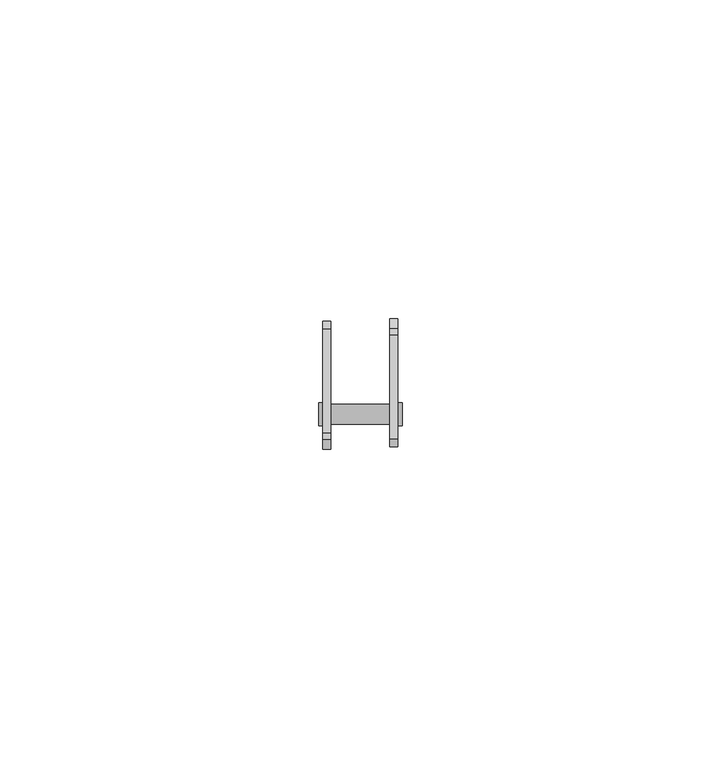
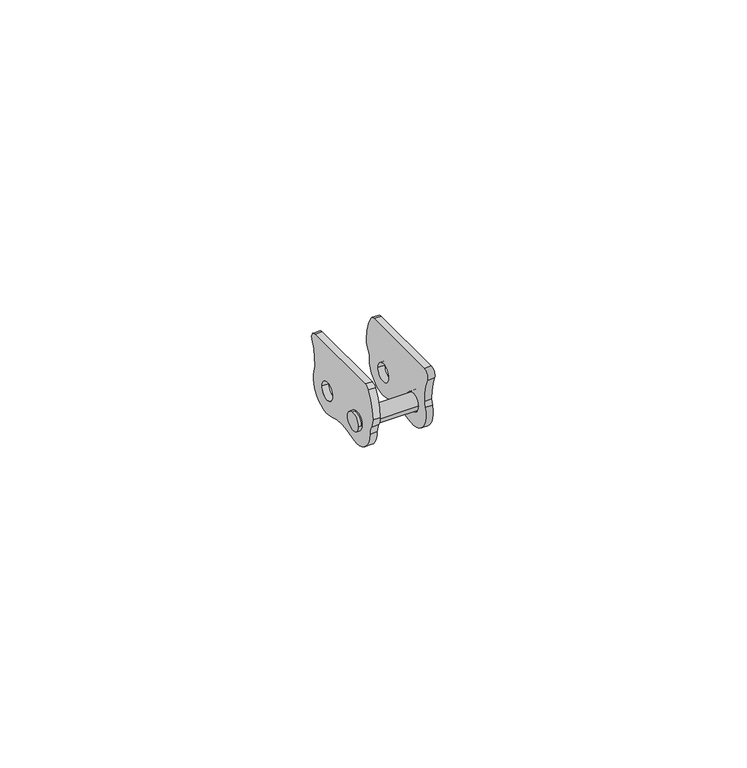
"""IFC4 building model written with IfcOpenShell, lengths in millimetres: proxy geometry."""

import ifcopenshell
import ifcopenshell.guid

model = None  # the IFC model being written
_history = None  # IfcOwnerHistory: only IFC2X3 demands one
_inside = {}  # id of a spatial element -> (the spatial element, [elements in it])
_under = {}  # id of a project, library or spatial element -> (it, [spatial elements below it])
_declared = {}  # id of a project -> (the project, [libraries it declares])
_typed = {}  # id of a type object -> (the type object, [elements of that type])
_made_of = {}  # id of a material, layer set ... -> (it, [elements and type objects made of it])


def new_model(schema):
    """Start an empty IFC model of exactly this schema.

    Asked for "IFC4X3", IfcOpenShell would pick the latest addendum, in which some entities
    have other attributes; the version numbers below select the first issue.
    IFC2X3 requires an IfcOwnerHistory on every rooted entity: one is made here for all.
    """
    global model, _history
    if schema == "IFC4X3":
        model = ifcopenshell.file(schema_version=(4, 3, 0, 0))
    else:
        model = ifcopenshell.file(schema=schema)
    _inside.clear()
    _under.clear()
    _declared.clear()
    _typed.clear()
    _made_of.clear()
    _history = None
    if model.schema == "IFC2X3":
        org = make("IfcOrganization", Name="unknown")
        user = make(
            "IfcPersonAndOrganization",
            ThePerson=make("IfcPerson", FamilyName="unknown"),
            TheOrganization=org,
        )
        app = make(
            "IfcApplication",
            ApplicationDeveloper=org,
            Version="unknown",
            ApplicationFullName="unknown",
            ApplicationIdentifier="unknown",
        )
        _history = make(
            "IfcOwnerHistory",
            OwningUser=user,
            OwningApplication=app,
            ChangeAction="ADDED",
            CreationDate=0,
        )
    return model


def make(cls, **values):
    """One entity of the class cls with the attributes given. An attribute that is None is left unset."""
    return model.create_entity(
        cls, **{name: value for name, value in values.items() if value is not None}
    )


def rooted(cls, **values):
    """An entity with a GlobalId (a new one), such as an element, a storey or a relation."""
    return make(cls, GlobalId=ifcopenshell.guid.new(), OwnerHistory=_history, **values)


def si_unit(unit_type, name, prefix=None):
    """IfcSIUnit, for example si_unit("LENGTHUNIT", "METRE", prefix="MILLI")."""
    return make("IfcSIUnit", UnitType=unit_type, Prefix=prefix, Name=name)


def assignment(units):
    """IfcUnitAssignment: the units of a project."""
    return None if units is None else make("IfcUnitAssignment", Units=units)


def point(xyz):
    """IfcCartesianPoint."""
    return None if xyz is None else make("IfcCartesianPoint", Coordinates=xyz)


def direction(xyz):
    """IfcDirection."""
    return None if xyz is None else make("IfcDirection", DirectionRatios=xyz)


def frame(location, z_axis=None, x_axis=None):
    """IfcAxis2Placement3D, a coordinate frame: its origin and axes. An axis left out is left unset."""
    return make(
        "IfcAxis2Placement3D",
        Location=point(location),
        Axis=direction(z_axis),
        RefDirection=direction(x_axis),
    )


def frame_2d(location, x_axis=None):
    """IfcAxis2Placement2D, a coordinate frame in the plane: its origin and x axis."""
    return make(
        "IfcAxis2Placement2D", Location=point(location), RefDirection=direction(x_axis)
    )


def origin():
    """The frame at (0, 0, 0) with its axes left unset."""
    return frame((0.0, 0.0, 0.0))


def origin_2d():
    """The frame at (0, 0) in the plane with its x axis left unset."""
    return frame_2d((0.0, 0.0))


def place(relative_to, where):
    """IfcLocalPlacement: puts the frame where relative to a parent placement (None: the world)."""
    return make(
        "IfcLocalPlacement", PlacementRelTo=relative_to, RelativePlacement=where
    )


def context(
    kind, dimensions, precision=None, world=None, true_north=None, identifier=None
):
    """IfcGeometricRepresentationContext, for example the 3D "Model" context."""
    return make(
        "IfcGeometricRepresentationContext",
        ContextIdentifier=identifier,
        ContextType=kind,
        CoordinateSpaceDimension=dimensions,
        Precision=precision,
        WorldCoordinateSystem=world,
        TrueNorth=true_north,
    )


def project(units=None, contexts=None):
    """IfcProject with its units and contexts."""
    return rooted(
        "IfcProject",
        Name="project",
        RepresentationContexts=contexts,
        UnitsInContext=assignment(units),
    )


def spatial(cls, under=None, at=None, **own):
    """A site, building, storey or space (cls), placed at a placement, below another one or the project."""
    s = rooted(cls, ObjectPlacement=at, **own)
    if under is not None:
        _under.setdefault(under.id(), (under, []))[1].append(s)
    return s


def polyline(points):
    """IfcPolyline through the points."""
    return make("IfcPolyline", Points=[point(p) for p in points])


def circle_curve(where, radius):
    """IfcCircle in the frame where."""
    return make("IfcCircle", Position=where, Radius=radius)


def trimmed(basis, trim1, trim2, sense, master):
    """IfcTrimmedCurve: the piece of a basis curve between two trims."""
    return make(
        "IfcTrimmedCurve",
        BasisCurve=basis,
        Trim1=trim1,
        Trim2=trim2,
        SenseAgreement=sense,
        MasterRepresentation=master,
    )


def segment(curve, same_sense, transition):
    """IfcCompositeCurveSegment."""
    return make(
        "IfcCompositeCurveSegment",
        Transition=transition,
        SameSense=same_sense,
        ParentCurve=curve,
    )


def composite_curve(segments, self_intersect=None):
    """IfcCompositeCurve: segments joined end to end."""
    return make("IfcCompositeCurve", Segments=segments, SelfIntersect=self_intersect)


def outline(outer, holes=None, kind="AREA"):
    """IfcArbitraryClosedProfileDef: a profile drawn as a closed curve; with holes, ...WithVoids."""
    if holes is None:
        return make("IfcArbitraryClosedProfileDef", ProfileType=kind, OuterCurve=outer)
    return make(
        "IfcArbitraryProfileDefWithVoids",
        ProfileType=kind,
        OuterCurve=outer,
        InnerCurves=holes,
    )


def extrude(swept, where, along, depth):
    """IfcExtrudedAreaSolid: the profile swept, set in the frame where, extruded along a direction by depth."""
    return make(
        "IfcExtrudedAreaSolid",
        SweptArea=swept,
        Position=where,
        ExtrudedDirection=direction(along),
        Depth=depth,
    )


def shape(context_of_items, identifier, shape_type, items):
    """IfcShapeRepresentation: the items that make up one representation, for example the "Body"."""
    return make(
        "IfcShapeRepresentation",
        ContextOfItems=context_of_items,
        RepresentationIdentifier=identifier,
        RepresentationType=shape_type,
        Items=items,
    )


def source(mapping_origin, context_of_items, identifier, shape_type, items):
    """IfcRepresentationMap: a shape defined once, which mapped items show again and again."""
    return make(
        "IfcRepresentationMap",
        MappingOrigin=mapping_origin,
        MappedRepresentation=shape(context_of_items, identifier, shape_type, items),
    )


def transform(
    local_origin,
    x_axis=None,
    y_axis=None,
    z_axis=None,
    scale=None,
    scale2=None,
    scale3=None,
    uniform=True,
):
    """IfcCartesianTransformationOperator3D, or its non-uniform kind. x_axis, y_axis, z_axis: its Axis1, 2, 3."""
    if uniform:
        return make(
            "IfcCartesianTransformationOperator3D",
            Axis1=direction(x_axis),
            Axis2=direction(y_axis),
            LocalOrigin=point(local_origin),
            Scale=scale,
            Axis3=direction(z_axis),
        )
    return make(
        "IfcCartesianTransformationOperator3DnonUniform",
        Axis1=direction(x_axis),
        Axis2=direction(y_axis),
        LocalOrigin=point(local_origin),
        Scale=scale,
        Axis3=direction(z_axis),
        Scale2=scale2,
        Scale3=scale3,
    )


def mapped(mapping_source, mapping_target):
    """IfcMappedItem: shows the shape of a source again, moved by a transform."""
    return make(
        "IfcMappedItem", MappingSource=mapping_source, MappingTarget=mapping_target
    )


def made_of(thing, what):
    """Note that an element or type object is made of a material, layer set ...; save() writes the relation."""
    if what is not None:
        _made_of.setdefault(what.id(), (what, []))[1].append(thing)
    return thing


def element(
    cls,
    number,
    at=None,
    inside=None,
    cuts=None,
    type_object=None,
    material=None,
    context=None,
    identifier="Body",
    shape_type=None,
    held_by="IfcProductDefinitionShape",
    body=None,
    shapes=None,
    **own,
):
    """One element of the class cls, such as IfcWall. Its Tag is "e" and its number.

    at: its placement. inside: the storey or other place that contains it. cuts: it is an
    opening in that element (IfcRelVoidsElement). A single representation is given by context,
    identifier, shape_type and body (its items); several are given by shapes. held_by: the class
    of the entity that holds the representations. save() writes the other relations.
    """
    e = rooted(cls, Tag="e%d" % number, ObjectPlacement=at, **own)
    if body is not None:
        shapes = [shape(context, identifier, shape_type, body)]
    if shapes is not None:
        e.Representation = make(held_by, Representations=shapes)
    if inside is not None:
        _inside.setdefault(inside.id(), (inside, []))[1].append(e)
    if cuts is not None:
        rooted(
            "IfcRelVoidsElement", RelatingBuildingElement=cuts, RelatedOpeningElement=e
        )
    if type_object is not None:
        _typed.setdefault(type_object.id(), (type_object, []))[1].append(e)
    return made_of(e, material)


def aggregate(whole, parts):
    """IfcRelAggregates: a whole, such as a stair, and the parts it consists of."""
    return rooted("IfcRelAggregates", RelatingObject=whole, RelatedObjects=parts)


def save(model, path):
    """Write the relations noted so far, then the file.

    IfcRelAggregates (storeys below a building ...), IfcRelContainedInSpatialStructure (elements
    in a storey), IfcRelDefinesByType, IfcRelAssociatesMaterial and IfcRelDeclares: one each for
    every whole, place, type object, material and project.
    """
    for whole, parts in _under.values():
        aggregate(whole, parts)
    for where, things in _inside.values():
        rooted(
            "IfcRelContainedInSpatialStructure",
            RelatedElements=things,
            RelatingStructure=where,
        )
    for kind, things in _typed.values():
        rooted("IfcRelDefinesByType", RelatedObjects=things, RelatingType=kind)
    for what, things in _made_of.values():
        rooted("IfcRelAssociatesMaterial", RelatedObjects=things, RelatingMaterial=what)
    for by, libraries in _declared.values():
        rooted("IfcRelDeclares", RelatingContext=by, RelatedDefinitions=libraries)
    model.write(path)


def plane_surface(at):
    """IfcPlane: the flat surface through the origin of the frame at, square to its z axis."""
    return make("IfcPlane", Position=at)


def cylinder_surface(at, radius):
    """IfcCylindricalSurface: all points at the distance radius from the z axis of the frame at."""
    return make("IfcCylindricalSurface", Position=at, Radius=radius)


def advanced_brep(points, edges, surfaces, faces):
    """IfcAdvancedBrep: a solid bounded by faces that lie on surfaces and meet in shared edges.

    An edge is (start, end): straight between two places in points (the first is 0);
    or (start, end, curve); or (start, end, curve, False) where it runs against its curve.
    A face is (place in surfaces, loops), or (place, loops, False) where it looks against
    its surface's normal. A loop lists edges by number (the first is 1), with a minus sign
    where the edge is run from its end to its start. The first loop is the outer one.
    """
    corners = [point(p) for p in points]
    vertices = [make("IfcVertexPoint", VertexGeometry=c) for c in corners]
    made = []
    for start, end, *more in edges:
        made.append(
            make(
                "IfcEdgeCurve",
                EdgeStart=vertices[start],
                EdgeEnd=vertices[end],
                EdgeGeometry=more[0] if more else make("IfcPolyline", Points=[corners[start], corners[end]]),
                SameSense=more[1] if len(more) > 1 else True,
            )
        )
    hull = []
    for where, loops, *sense in faces:
        bounds = []
        for j, loop in enumerate(loops):
            ring = [make("IfcOrientedEdge", EdgeElement=made[abs(k) - 1], Orientation=k > 0) for k in loop]
            bounds.append(
                make(
                    "IfcFaceOuterBound" if j == 0 else "IfcFaceBound",
                    Bound=make("IfcEdgeLoop", EdgeList=ring),
                    Orientation=True,
                )
            )
        hull.append(make("IfcAdvancedFace", Bounds=bounds, FaceSurface=surfaces[where], SameSense=sense[0] if sense else True))
    return make("IfcAdvancedBrep", Outer=make("IfcClosedShell", CfsFaces=hull))


def generic_models_df719b19(model_context):
    return source(origin(), model_context, "Body", "SolidModel", [
        advanced_brep(
        [(-5.905, -11.315, 0.0), (-6.545, -11.315, 0.0), (-6.545, -7.735, 0.0), (-5.905, -7.735, 0.0), (5.905, -11.115, 0.0), (-5.905, -11.115, 0.0), (-5.905, -7.935, 0.0), (5.905, -7.935, 0.0), (6.545, -11.315, 0.0), (5.905, -11.315, 0.0), (5.905, -7.735, 0.0), (6.545, -7.735, 0.0)],
        [
            (0, 1),
            (1, 2, circle_curve(frame((-6.545, -9.525, 0.0), z_axis=(1.0, 0.0, 0.0), x_axis=(0.0, -1.0, 0.0)), 1.79)),
            (2, 3),
            (3, 0, circle_curve(frame((-5.905, -9.525, 0.0), z_axis=(-1.0, 0.0, 0.0), x_axis=(0.0, -1.0, 0.0)), 1.79)),
            (4, 5),
            (5, 6, circle_curve(frame((-5.905, -9.525, 0.0), z_axis=(1.0, 0.0, 0.0), x_axis=(0.0, -1.0, 0.0)), 1.59)),
            (6, 7),
            (7, 4, circle_curve(frame((5.905, -9.525, 0.0), z_axis=(-1.0, 0.0, 0.0), x_axis=(0.0, -1.0, 0.0)), 1.59)),
            (8, 9),
            (9, 10, circle_curve(frame((5.905, -9.525, 0.0), z_axis=(1.0, 0.0, 0.0), x_axis=(0.0, -1.0, 0.0)), 1.79)),
            (10, 11),
            (11, 8, circle_curve(frame((6.545, -9.525, 0.0), z_axis=(-1.0, 0.0, 0.0), x_axis=(0.0, -1.0, 0.0)), 1.79)),
            (11, 8, circle_curve(frame((6.545, -9.525, 0.0), z_axis=(1.0, 0.0, 0.0), x_axis=(0.0, -1.0, 0.0)), 1.79)),
            (10, 9, circle_curve(frame((5.905, -9.525, 0.0), z_axis=(1.0, 0.0, 0.0), x_axis=(0.0, -1.0, 0.0)), 1.79)),
            (7, 4, circle_curve(frame((5.905, -9.525, 0.0), z_axis=(1.0, 0.0, 0.0), x_axis=(0.0, -1.0, 0.0)), 1.59)),
            (6, 5, circle_curve(frame((-5.905, -9.525, 0.0), z_axis=(1.0, 0.0, 0.0), x_axis=(0.0, -1.0, 0.0)), 1.59)),
            (3, 0, circle_curve(frame((-5.905, -9.525, 0.0), z_axis=(1.0, 0.0, 0.0), x_axis=(0.0, -1.0, 0.0)), 1.79)),
            (2, 1, circle_curve(frame((-6.545, -9.525, 0.0), z_axis=(1.0, 0.0, 0.0), x_axis=(0.0, -1.0, 0.0)), 1.79)),
        ],
        [
            cylinder_surface(frame((-6.225, -9.525, 0.0), z_axis=(-1.0, 0.0, 0.0), x_axis=(0.0, -1.0, 0.0)), 1.79),
            cylinder_surface(frame((0.0, -9.525, 0.0), z_axis=(-1.0, 0.0, 0.0), x_axis=(0.0, -1.0, 0.0)), 1.59),
            cylinder_surface(frame((6.225, -9.525, 0.0), z_axis=(-1.0, 0.0, 0.0), x_axis=(0.0, -1.0, 0.0)), 1.79),
            plane_surface(frame((6.545, -10.42, 0.0), z_axis=(1.0, 0.0, 0.0), x_axis=(0.0, 0.0, 1.0))),
            plane_surface(frame((5.905, -11.215, 0.0), z_axis=(-1.0, 0.0, 0.0), x_axis=(0.0, 0.0, -1.0))),
            plane_surface(frame((-5.905, -11.215, 0.0), z_axis=(1.0, 0.0, 0.0), x_axis=(0.0, 0.0, 1.0))),
            plane_surface(frame((-6.545, -10.42, 0.0), z_axis=(-1.0, 0.0, 0.0), x_axis=(0.0, 0.0, -1.0))),
        ],
        [
            (0, [[1, 2, 3, 4]]),
            (1, [[5, 6, 7, 8]]),
            (2, [[9, 10, 11, 12]]),
            (3, [[13, -12]]),
            (2, [[-9, -13, -11, 14]]),
            (4, [[-14, -10], [15, -8]]),
            (1, [[-5, -15, -7, 16]]),
            (5, [[17, -4], [-16, -6]]),
            (0, [[-1, -17, -3, 18]]),
            (6, [[-18, -2]]),
        ],
    ),
        extrude(outline(composite_curve([segment(trimmed(circle_curve(origin_2d(), 4.5), [point((4.2531196, 1.470025))], [point((-1.4780172, -4.2503488))], False, "CARTESIAN"), True, "CONTINUOUS"), segment(trimmed(circle_curve(frame_2d((-4.7625, -13.6955684)), 10.0), [point((-1.4780172, -4.2503488))], [point((-8.0469828, -4.2503488))], True, "CARTESIAN"), True, "CONTINUOUS"), segment(trimmed(circle_curve(frame_2d((-9.525, 0.0)), 4.5), [point((-8.0469828, -4.2503488))], [point((-14.025, 0.0))], False, "CARTESIAN"), True, "CONTINUOUS"), segment(trimmed(circle_curve(frame_2d((-17.0251981, 0.0)), 3.0001981), [point((-14.025, 0.0))], [point((-14.5233959, 1.6559512))], True, "CARTESIAN"), True, "CONTINUOUS"), segment(trimmed(circle_curve(frame_2d((-12.0215938, 3.3119025)), 3.0001981), [point((-14.5233959, 1.6559512))], [point((-15.0204168, 3.4027264))], False, "CARTESIAN"), True, "CONTINUOUS"), segment(trimmed(circle_curve(frame_2d((-5.025, 3.1)), 10.0), [point((-15.0204168, 3.4027264))], [point((-13.4792705, 8.4409091))], False, "CARTESIAN"), True, "CONTINUOUS"), segment(trimmed(circle_curve(frame_2d((-12.4647581, 7.8)), 1.2), [point((-13.4792705, 8.4409091))], [point((-12.4647581, 9.0))], False, "CARTESIAN"), True, "CONTINUOUS"), segment(polyline([(-12.4647581, 9.0), (3.8588798, 9.0)]), True, "CONTINUOUS"), segment(trimmed(circle_curve(frame_2d((3.8588798, 7.8)), 1.2), [point((3.8588798, 9.0))], [point((4.948107, 7.2964286))], False, "CARTESIAN"), True, "CONTINUOUS"), segment(trimmed(circle_curve(frame_2d((14.025, 3.1)), 10.0), [point((4.948107, 7.2964286))], [point((4.0395552, 2.5606561))], True, "CARTESIAN"), True, "CONTINUOUS"), segment(trimmed(circle_curve(frame_2d((8.0325608, 2.7763303)), 3.998826), [point((4.0395552, 2.5606561))], [point((4.2531196, 1.470025))], True, "CARTESIAN"), True, "CONTINUOUS")], self_intersect=False), holes=[composite_curve([segment(trimmed(circle_curve(frame_2d((-9.525, 0.0)), 1.75), [point((-7.775, 0.0))], [point((-11.275, 0.0))], True, "CARTESIAN"), True, "CONTINUOUS"), segment(trimmed(circle_curve(frame_2d((-9.525, 0.0)), 1.75), [point((-11.275, 0.0))], [point((-7.775, 0.0))], True, "CARTESIAN"), True, "CONTINUOUS")], self_intersect=False), composite_curve([segment(trimmed(circle_curve(origin_2d(), 1.75), [point((1.75, 0.0))], [point((-1.75, 0.0))], True, "CARTESIAN"), True, "CONTINUOUS"), segment(trimmed(circle_curve(origin_2d(), 1.75), [point((-1.75, 0.0))], [point((1.75, 0.0))], True, "CARTESIAN"), True, "CONTINUOUS")], self_intersect=False)]), frame((-5.905, 0.0, 0.0), z_axis=(1.0, 0.0, 0.0), x_axis=(0.0, 1.0, 0.0)), (0.0, 0.0, 1.0), 1.27),
        extrude(outline(composite_curve([segment(trimmed(circle_curve(frame_2d((-4.7625, -13.6955684)), 10.0), [point((-1.4780172, -4.2503488))], [point((-8.0469828, -4.2503488))], True, "CARTESIAN"), True, "CONTINUOUS"), segment(trimmed(circle_curve(frame_2d((-9.525, 0.0)), 4.5), [point((-8.0469828, -4.2503488))], [point((-13.7781196, 1.470025))], False, "CARTESIAN"), True, "CONTINUOUS"), segment(trimmed(circle_curve(frame_2d((-17.5575608, 2.7763303)), 3.998826), [point((-13.7781196, 1.470025))], [point((-13.5645552, 2.5606561))], True, "CARTESIAN"), True, "CONTINUOUS"), segment(trimmed(circle_curve(frame_2d((-23.55, 3.1)), 10.0), [point((-13.5645552, 2.5606561))], [point((-14.473107, 7.2964286))], True, "CARTESIAN"), True, "CONTINUOUS"), segment(trimmed(circle_curve(frame_2d((-13.3838798, 7.8)), 1.2), [point((-14.473107, 7.2964286))], [point((-13.3838798, 9.0))], False, "CARTESIAN"), True, "CONTINUOUS"), segment(polyline([(-13.3838798, 9.0), (2.9397581, 9.0)]), True, "CONTINUOUS"), segment(trimmed(circle_curve(frame_2d((2.9397581, 7.8)), 1.2), [point((2.9397581, 9.0))], [point((3.9542705, 8.4409091))], False, "CARTESIAN"), True, "CONTINUOUS"), segment(trimmed(circle_curve(frame_2d((-4.5, 3.1)), 10.0), [point((3.9542705, 8.4409091))], [point((5.4954168, 3.4027264))], False, "CARTESIAN"), True, "CONTINUOUS"), segment(trimmed(circle_curve(frame_2d((2.4965938, 3.3119025)), 3.0001981), [point((5.4954168, 3.4027264))], [point((4.9983959, 1.6559512))], False, "CARTESIAN"), True, "CONTINUOUS"), segment(trimmed(circle_curve(frame_2d((7.5001981, 0.0)), 3.0001981), [point((4.9983959, 1.6559512))], [point((4.5, 0.0))], True, "CARTESIAN"), True, "CONTINUOUS"), segment(trimmed(circle_curve(origin_2d(), 4.5), [point((4.5, 0.0))], [point((-1.4780172, -4.2503488))], False, "CARTESIAN"), True, "CONTINUOUS")], self_intersect=False), holes=[composite_curve([segment(trimmed(circle_curve(frame_2d((-9.525, 0.0)), 1.75), [point((-11.275, 0.0))], [point((-7.775, 0.0))], True, "CARTESIAN"), True, "CONTINUOUS"), segment(trimmed(circle_curve(frame_2d((-9.525, 0.0)), 1.75), [point((-7.775, 0.0))], [point((-11.275, 0.0))], True, "CARTESIAN"), True, "CONTINUOUS")], self_intersect=False), composite_curve([segment(trimmed(circle_curve(origin_2d(), 1.75), [point((-1.75, 0.0))], [point((1.75, 0.0))], True, "CARTESIAN"), True, "CONTINUOUS"), segment(trimmed(circle_curve(origin_2d(), 1.75), [point((1.75, 0.0))], [point((-1.75, 0.0))], True, "CARTESIAN"), True, "CONTINUOUS")], self_intersect=False)]), frame((4.635, 0.0, 0.0), z_axis=(1.0, 0.0, 0.0), x_axis=(0.0, 1.0, 0.0)), (0.0, 0.0, 1.0), 1.27),
    ])


if __name__ == "__main__":
    model = new_model("IFC4")
    model_context = context("Model", 3, world=origin())
    ifc_project = project(units=[si_unit("LENGTHUNIT", "METRE", prefix="MILLI")], contexts=[model_context])
    site = spatial("IfcSite", under=ifc_project)
    building = spatial("IfcBuilding", under=site)
    placement = place(None, origin())
    generic_models_shape = generic_models_df719b19(model_context)
    element("IfcBuildingElementProxy", 1, Name="Generic Models", at=placement, inside=building, context=model_context, shape_type="MappedRepresentation", body=[
        mapped(generic_models_shape, transform((0.0, 0.0, 0.0), x_axis=(1.0, 0.0, 0.0), y_axis=(0.0, 1.0, 0.0), z_axis=(0.0, 0.0, 1.0))),
    ])
    save(model, "model.ifc")
